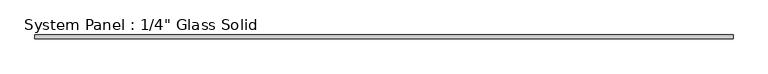
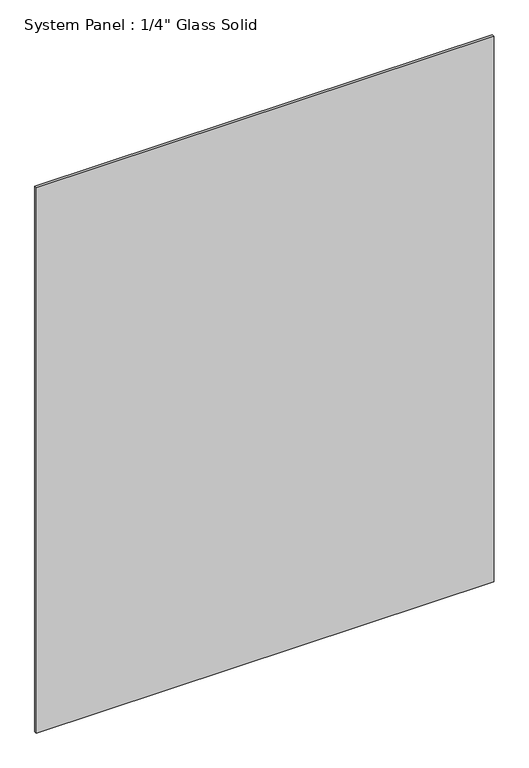
"""IFC4 building model written with IfcOpenShell, lengths in millimetres: plate geometry."""

from ifc_helpers import new_model, si_unit, origin, origin_with_axes, place, context, project, spatial, polyline, outline, extrude, source, transform, mapped, element, save


def plate_3b37d46c(model_context):
    return source(origin(), model_context, "Body", "SweptSolid", [
        extrude(outline(polyline([(561.3970691, -3.175), (-561.3970691, -3.175), (-561.3970691, 3.175), (561.3970691, 3.175), (561.3970691, -3.175)])), origin_with_axes(), (0.0, 0.0, 1.0), 1413.6241382),
    ])


if __name__ == "__main__":
    model = new_model("IFC4")
    model_context = context("Model", 3, world=origin())
    ifc_project = project(units=[si_unit("LENGTHUNIT", "METRE", prefix="MILLI")], contexts=[model_context])
    site = spatial("IfcSite", under=ifc_project)
    building = spatial("IfcBuilding", under=site)
    placement = place(None, origin())
    plate_shape = plate_3b37d46c(model_context)
    element("IfcPlate", 1, ObjectType="System Panel : 1/4\" Glass Solid", at=placement, inside=building, context=model_context, shape_type="MappedRepresentation", body=[
        mapped(plate_shape, transform((0.0, 0.0, 0.0), x_axis=(1.0, 0.0, 0.0), y_axis=(0.0, 1.0, 0.0), z_axis=(0.0, 0.0, 1.0))),
    ])
    save(model, "model.ifc")
